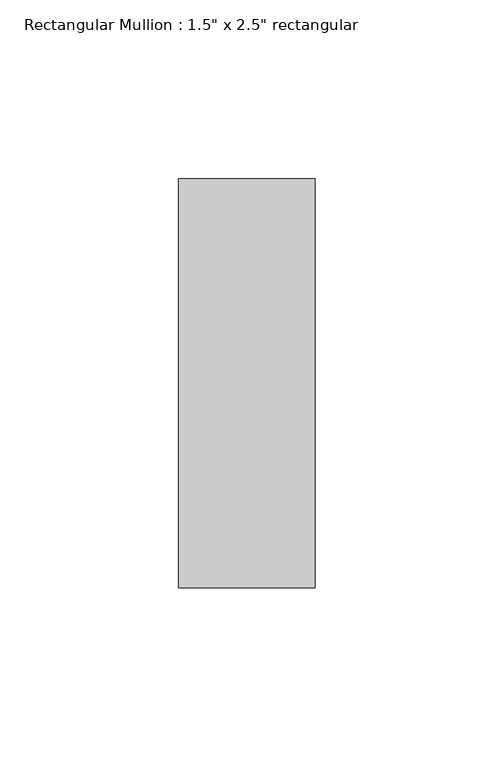
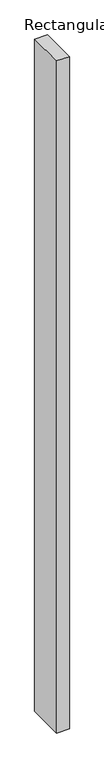
"""IFC4 building model written with IfcOpenShell, lengths in millimetres: member geometry."""

from ifc_helpers import new_model, si_unit, frame, origin, place, context, project, spatial, polyline, outline, extrude, source, transform, mapped, element, save


def member_93bd2cc1(model_context):
    return source(origin(), model_context, "Body", "SweptSolid", [
        extrude(outline(polyline([(0.0, 57.15), (0.0, -57.15), (-38.1, -57.15), (-38.1, 57.15), (0.0, 57.15)])), frame((0.0, 0.0, -2133.6), z_axis=(0.0, 0.0, 1.0), x_axis=(1.0, 0.0, 0.0)), (0.0, 0.0, 1.0), 2133.6),
    ])


if __name__ == "__main__":
    model = new_model("IFC4")
    model_context = context("Model", 3, world=origin())
    ifc_project = project(units=[si_unit("LENGTHUNIT", "METRE", prefix="MILLI")], contexts=[model_context])
    site = spatial("IfcSite", under=ifc_project)
    building = spatial("IfcBuilding", under=site)
    placement = place(None, origin())
    member_shape = member_93bd2cc1(model_context)
    element("IfcMember", 1, ObjectType="Rectangular Mullion : 1.5\" x 2.5\" rectangular", at=placement, inside=building, context=model_context, shape_type="MappedRepresentation", body=[
        mapped(member_shape, transform((0.0, 0.0, 0.0), x_axis=(1.0, 0.0, 0.0), y_axis=(0.0, 1.0, 0.0), z_axis=(0.0, 0.0, 1.0))),
    ])
    save(model, "model.ifc")
